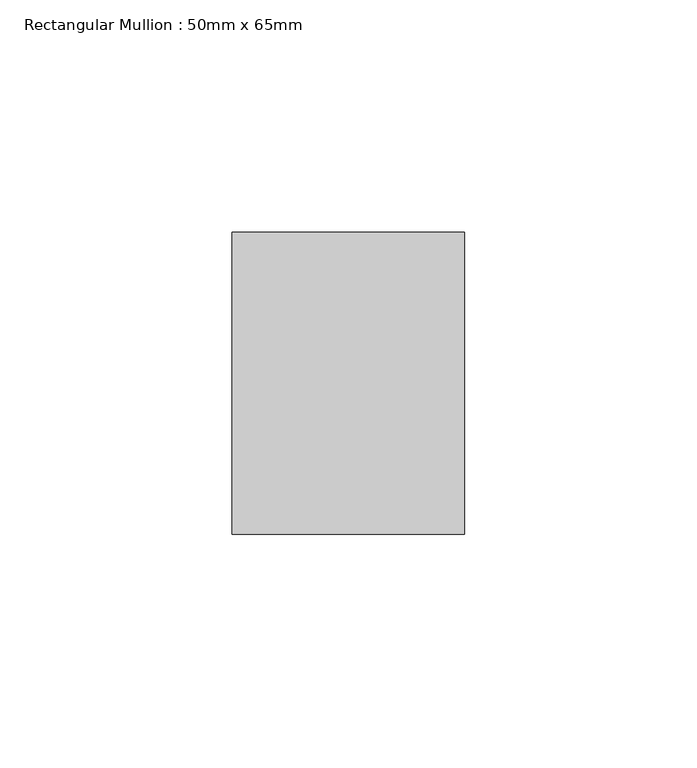
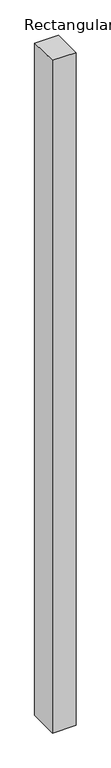
"""IFC4 building model written with IfcOpenShell, lengths in millimetres: member geometry, Rectangular Mullion : 50mm x 65mm."""

import ifcopenshell
import ifcopenshell.guid

model = None  # the IFC model being written
_history = None  # IfcOwnerHistory: only IFC2X3 demands one
_inside = {}  # id of a spatial element -> (the spatial element, [elements in it])
_under = {}  # id of a project, library or spatial element -> (it, [spatial elements below it])
_declared = {}  # id of a project -> (the project, [libraries it declares])
_typed = {}  # id of a type object -> (the type object, [elements of that type])
_made_of = {}  # id of a material, layer set ... -> (it, [elements and type objects made of it])


def new_model(schema):
    """Start an empty IFC model of exactly this schema.

    Asked for "IFC4X3", IfcOpenShell would pick the latest addendum, in which some entities
    have other attributes; the version numbers below select the first issue.
    IFC2X3 requires an IfcOwnerHistory on every rooted entity: one is made here for all.
    """
    global model, _history
    if schema == "IFC4X3":
        model = ifcopenshell.file(schema_version=(4, 3, 0, 0))
    else:
        model = ifcopenshell.file(schema=schema)
    _inside.clear()
    _under.clear()
    _declared.clear()
    _typed.clear()
    _made_of.clear()
    _history = None
    if model.schema == "IFC2X3":
        org = make("IfcOrganization", Name="unknown")
        user = make(
            "IfcPersonAndOrganization",
            ThePerson=make("IfcPerson", FamilyName="unknown"),
            TheOrganization=org,
        )
        app = make(
            "IfcApplication",
            ApplicationDeveloper=org,
            Version="unknown",
            ApplicationFullName="unknown",
            ApplicationIdentifier="unknown",
        )
        _history = make(
            "IfcOwnerHistory",
            OwningUser=user,
            OwningApplication=app,
            ChangeAction="ADDED",
            CreationDate=0,
        )
    return model


def make(cls, **values):
    """One entity of the class cls with the attributes given. An attribute that is None is left unset."""
    return model.create_entity(
        cls, **{name: value for name, value in values.items() if value is not None}
    )


def rooted(cls, **values):
    """An entity with a GlobalId (a new one), such as an element, a storey or a relation."""
    return make(cls, GlobalId=ifcopenshell.guid.new(), OwnerHistory=_history, **values)


def si_unit(unit_type, name, prefix=None):
    """IfcSIUnit, for example si_unit("LENGTHUNIT", "METRE", prefix="MILLI")."""
    return make("IfcSIUnit", UnitType=unit_type, Prefix=prefix, Name=name)


def assignment(units):
    """IfcUnitAssignment: the units of a project."""
    return None if units is None else make("IfcUnitAssignment", Units=units)


def point(xyz):
    """IfcCartesianPoint."""
    return None if xyz is None else make("IfcCartesianPoint", Coordinates=xyz)


def direction(xyz):
    """IfcDirection."""
    return None if xyz is None else make("IfcDirection", DirectionRatios=xyz)


def frame(location, z_axis=None, x_axis=None):
    """IfcAxis2Placement3D, a coordinate frame: its origin and axes. An axis left out is left unset."""
    return make(
        "IfcAxis2Placement3D",
        Location=point(location),
        Axis=direction(z_axis),
        RefDirection=direction(x_axis),
    )


def origin():
    """The frame at (0, 0, 0) with its axes left unset."""
    return frame((0.0, 0.0, 0.0))


def place(relative_to, where):
    """IfcLocalPlacement: puts the frame where relative to a parent placement (None: the world)."""
    return make(
        "IfcLocalPlacement", PlacementRelTo=relative_to, RelativePlacement=where
    )


def context(
    kind, dimensions, precision=None, world=None, true_north=None, identifier=None
):
    """IfcGeometricRepresentationContext, for example the 3D "Model" context."""
    return make(
        "IfcGeometricRepresentationContext",
        ContextIdentifier=identifier,
        ContextType=kind,
        CoordinateSpaceDimension=dimensions,
        Precision=precision,
        WorldCoordinateSystem=world,
        TrueNorth=true_north,
    )


def project(units=None, contexts=None):
    """IfcProject with its units and contexts."""
    return rooted(
        "IfcProject",
        Name="project",
        RepresentationContexts=contexts,
        UnitsInContext=assignment(units),
    )


def spatial(cls, under=None, at=None, **own):
    """A site, building, storey or space (cls), placed at a placement, below another one or the project."""
    s = rooted(cls, ObjectPlacement=at, **own)
    if under is not None:
        _under.setdefault(under.id(), (under, []))[1].append(s)
    return s


def faces_of(points, faces, orient=None, outer=None):
    """IfcFace entities. A face is a list of loops; a loop is a list of indices into points, from 0.

    orient and outer hold one flag for each loop. By default every Orientation is true, the
    first loop of a face is its IfcFaceOuterBound and the others are IfcFaceBound.
    """
    made = []
    for i, loops in enumerate(faces):
        bounds = []
        for j, loop in enumerate(loops):
            is_outer = j == 0 if outer is None else outer[i][j]
            bounds.append(
                make(
                    "IfcFaceOuterBound" if is_outer else "IfcFaceBound",
                    Bound=make("IfcPolyLoop", Polygon=[points[k] for k in loop]),
                    Orientation=True if orient is None else orient[i][j],
                )
            )
        made.append(make("IfcFace", Bounds=bounds))
    return made


def faceted_brep(points, faces, orient=None, outer=None, voids=None):
    """IfcFacetedBrep: a solid bounded by flat faces; with voids (closed shells), ...WithVoids."""
    shared = [point(p) for p in points]
    hull = make("IfcClosedShell", CfsFaces=faces_of(shared, faces, orient, outer))
    if voids is None:
        return make("IfcFacetedBrep", Outer=hull)
    return make(
        "IfcFacetedBrepWithVoids",
        Outer=hull,
        Voids=[
            make(cls, CfsFaces=faces_of(shared, fs, o, b)) for cls, fs, o, b in voids
        ],
    )


def shape(context_of_items, identifier, shape_type, items):
    """IfcShapeRepresentation: the items that make up one representation, for example the "Body"."""
    return make(
        "IfcShapeRepresentation",
        ContextOfItems=context_of_items,
        RepresentationIdentifier=identifier,
        RepresentationType=shape_type,
        Items=items,
    )


def source(mapping_origin, context_of_items, identifier, shape_type, items):
    """IfcRepresentationMap: a shape defined once, which mapped items show again and again."""
    return make(
        "IfcRepresentationMap",
        MappingOrigin=mapping_origin,
        MappedRepresentation=shape(context_of_items, identifier, shape_type, items),
    )


def transform(
    local_origin,
    x_axis=None,
    y_axis=None,
    z_axis=None,
    scale=None,
    scale2=None,
    scale3=None,
    uniform=True,
):
    """IfcCartesianTransformationOperator3D, or its non-uniform kind. x_axis, y_axis, z_axis: its Axis1, 2, 3."""
    if uniform:
        return make(
            "IfcCartesianTransformationOperator3D",
            Axis1=direction(x_axis),
            Axis2=direction(y_axis),
            LocalOrigin=point(local_origin),
            Scale=scale,
            Axis3=direction(z_axis),
        )
    return make(
        "IfcCartesianTransformationOperator3DnonUniform",
        Axis1=direction(x_axis),
        Axis2=direction(y_axis),
        LocalOrigin=point(local_origin),
        Scale=scale,
        Axis3=direction(z_axis),
        Scale2=scale2,
        Scale3=scale3,
    )


def mapped(mapping_source, mapping_target):
    """IfcMappedItem: shows the shape of a source again, moved by a transform."""
    return make(
        "IfcMappedItem", MappingSource=mapping_source, MappingTarget=mapping_target
    )


def made_of(thing, what):
    """Note that an element or type object is made of a material, layer set ...; save() writes the relation."""
    if what is not None:
        _made_of.setdefault(what.id(), (what, []))[1].append(thing)
    return thing


def element(
    cls,
    number,
    at=None,
    inside=None,
    cuts=None,
    type_object=None,
    material=None,
    context=None,
    identifier="Body",
    shape_type=None,
    held_by="IfcProductDefinitionShape",
    body=None,
    shapes=None,
    **own,
):
    """One element of the class cls, such as IfcWall. Its Tag is "e" and its number.

    at: its placement. inside: the storey or other place that contains it. cuts: it is an
    opening in that element (IfcRelVoidsElement). A single representation is given by context,
    identifier, shape_type and body (its items); several are given by shapes. held_by: the class
    of the entity that holds the representations. save() writes the other relations.
    """
    e = rooted(cls, Tag="e%d" % number, ObjectPlacement=at, **own)
    if body is not None:
        shapes = [shape(context, identifier, shape_type, body)]
    if shapes is not None:
        e.Representation = make(held_by, Representations=shapes)
    if inside is not None:
        _inside.setdefault(inside.id(), (inside, []))[1].append(e)
    if cuts is not None:
        rooted(
            "IfcRelVoidsElement", RelatingBuildingElement=cuts, RelatedOpeningElement=e
        )
    if type_object is not None:
        _typed.setdefault(type_object.id(), (type_object, []))[1].append(e)
    return made_of(e, material)


def aggregate(whole, parts):
    """IfcRelAggregates: a whole, such as a stair, and the parts it consists of."""
    return rooted("IfcRelAggregates", RelatingObject=whole, RelatedObjects=parts)


def save(model, path):
    """Write the relations noted so far, then the file.

    IfcRelAggregates (storeys below a building ...), IfcRelContainedInSpatialStructure (elements
    in a storey), IfcRelDefinesByType, IfcRelAssociatesMaterial and IfcRelDeclares: one each for
    every whole, place, type object, material and project.
    """
    for whole, parts in _under.values():
        aggregate(whole, parts)
    for where, things in _inside.values():
        rooted(
            "IfcRelContainedInSpatialStructure",
            RelatedElements=things,
            RelatingStructure=where,
        )
    for kind, things in _typed.values():
        rooted("IfcRelDefinesByType", RelatedObjects=things, RelatingType=kind)
    for what, things in _made_of.values():
        rooted("IfcRelAssociatesMaterial", RelatedObjects=things, RelatingMaterial=what)
    for by, libraries in _declared.values():
        rooted("IfcRelDeclares", RelatingContext=by, RelatedDefinitions=libraries)
    model.write(path)


def rectangular_mullion_50mm_x_65mm_5c0e681b(model_context):
    return source(origin(), model_context, "Body", "Brep", [
        faceted_brep([(-25.0, 32.5, -0.4073271), (25.0, 32.5, -0.4073255), (25.0, 32.5, -1499.6943027), (-25.0, 32.5, -1499.6943015), (-25.0, -32.5, 0.4073255), (-25.0, -32.5, -1500.3057495), (25.0, -32.5, 0.4073271), (25.0, -32.5, -1500.3057507)], [[[0, 1, 2, 3]], [[4, 0, 3, 5]], [[6, 4, 5, 7]], [[1, 6, 7, 2]], [[1, 0, 4, 6]], [[2, 7, 5, 3]]]),
    ])


if __name__ == "__main__":
    model = new_model("IFC4")
    model_context = context("Model", 3, world=origin())
    ifc_project = project(units=[si_unit("LENGTHUNIT", "METRE", prefix="MILLI")], contexts=[model_context])
    site = spatial("IfcSite", under=ifc_project)
    building = spatial("IfcBuilding", under=site)
    placement = place(None, origin())
    rectangular_mullion_50mm_x_65mm_shape = rectangular_mullion_50mm_x_65mm_5c0e681b(model_context)
    element("IfcMember", 1, ObjectType="Rectangular Mullion : 50mm x 65mm", at=placement, inside=building, context=model_context, shape_type="MappedRepresentation", body=[
        mapped(rectangular_mullion_50mm_x_65mm_shape, transform((0.0, 0.0, 0.0), x_axis=(1.0, 0.0, 0.0), y_axis=(0.0, 1.0, 0.0), z_axis=(0.0, 0.0, 1.0))),
    ])
    save(model, "model.ifc")
